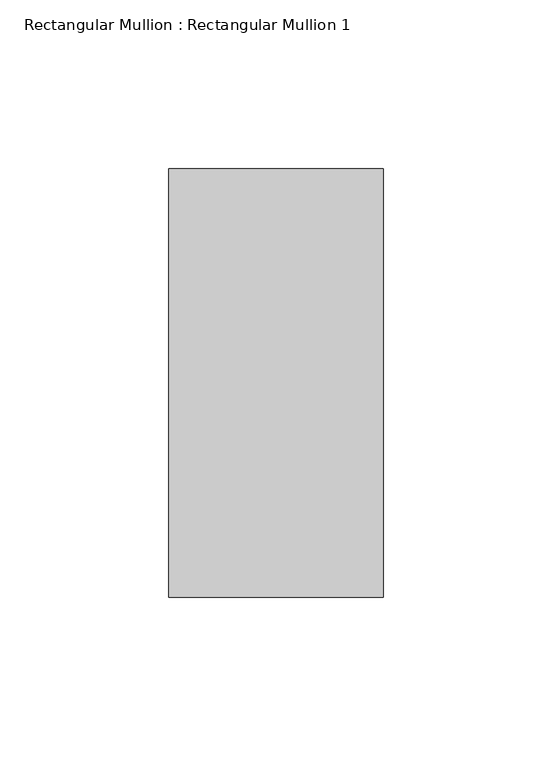
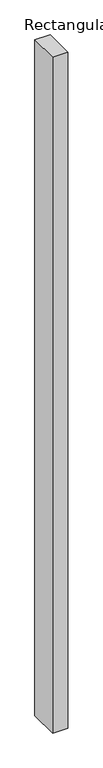
"""IFC4 building model written with IfcOpenShell, lengths in millimetres: member geometry, Rectangular Mullion : Rectangular Mullion 1."""

from ifc_helpers import new_model, si_unit, frame, origin, place, context, project, spatial, polyline, outline, extrude, source, transform, mapped, element, save


def rectangular_mullion_rectangular_mullion_1_16513b09(model_context):
    return source(origin(), model_context, "Body", "SweptSolid", [
        extrude(outline(polyline([(31.75, 63.5), (31.75, -63.5), (-31.75, -63.5), (-31.75, 63.5), (31.75, 63.5)])), frame((0.0, 0.0, -2974.975), z_axis=(0.0, 0.0, 1.0), x_axis=(1.0, 0.0, 0.0)), (0.0, 0.0, 1.0), 2974.975),
    ])


if __name__ == "__main__":
    model = new_model("IFC4")
    model_context = context("Model", 3, world=origin())
    ifc_project = project(units=[si_unit("LENGTHUNIT", "METRE", prefix="MILLI")], contexts=[model_context])
    site = spatial("IfcSite", under=ifc_project)
    building = spatial("IfcBuilding", under=site)
    placement = place(None, origin())
    rectangular_mullion_rectangular_mullion_1_shape = rectangular_mullion_rectangular_mullion_1_16513b09(model_context)
    element("IfcMember", 1, ObjectType="Rectangular Mullion : Rectangular Mullion 1", at=placement, inside=building, context=model_context, shape_type="MappedRepresentation", body=[
        mapped(rectangular_mullion_rectangular_mullion_1_shape, transform((0.0, 0.0, 0.0), x_axis=(1.0, 0.0, 0.0), y_axis=(0.0, 1.0, 0.0), z_axis=(0.0, 0.0, 1.0))),
    ])
    save(model, "model.ifc")
